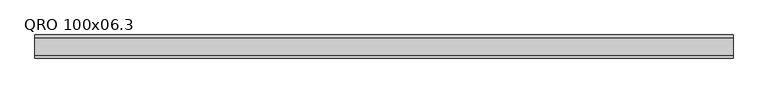
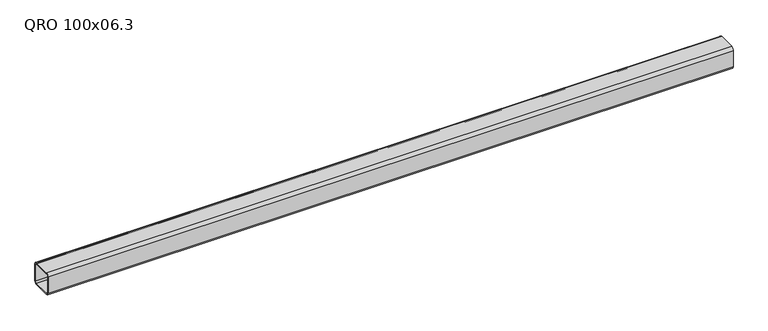
"""IFC4 building model written with IfcOpenShell, lengths in millimetres: beam geometry, QRO 100x06.3."""

from ifc_helpers import new_model, si_unit, point, frame, frame_2d, origin, place, context, project, spatial, polyline, circle_curve, trimmed, segment, composite_curve, outline, extrude, source, transform, mapped, element, save


def qro_100x06_3_3facface(model_context):
    return source(origin(), model_context, "Body", "SweptSolid", [
        extrude(outline(composite_curve([segment(polyline([(50.0, 38.0), (50.0, -38.0)]), True, "CONTINUOUS"), segment(trimmed(circle_curve(frame_2d((38.0, -38.0)), 12.0), [point((50.0, -38.0))], [point((38.0, -50.0))], False, "CARTESIAN"), True, "CONTINUOUS"), segment(polyline([(38.0, -50.0), (-38.0, -50.0)]), True, "CONTINUOUS"), segment(trimmed(circle_curve(frame_2d((-38.0, -38.0)), 12.0), [point((-38.0, -50.0))], [point((-50.0, -38.0))], False, "CARTESIAN"), True, "CONTINUOUS"), segment(polyline([(-50.0, -38.0), (-50.0, 38.0)]), True, "CONTINUOUS"), segment(trimmed(circle_curve(frame_2d((-38.0, 38.0)), 12.0), [point((-50.0, 38.0))], [point((-38.0, 50.0))], False, "CARTESIAN"), True, "CONTINUOUS"), segment(polyline([(-38.0, 50.0), (38.0, 50.0)]), True, "CONTINUOUS"), segment(trimmed(circle_curve(frame_2d((38.0, 38.0)), 12.0), [point((38.0, 50.0))], [point((50.0, 38.0))], False, "CARTESIAN"), True, "CONTINUOUS")], self_intersect=False), holes=[composite_curve([segment(trimmed(circle_curve(frame_2d((-38.0, 38.0)), 6.0), [point((-38.0, 44.0))], [point((-44.0, 38.0))], True, "CARTESIAN"), True, "CONTINUOUS"), segment(polyline([(-44.0, 38.0), (-44.0, -38.0)]), True, "CONTINUOUS"), segment(trimmed(circle_curve(frame_2d((-38.0, -38.0)), 6.0), [point((-44.0, -38.0))], [point((-38.0, -44.0))], True, "CARTESIAN"), True, "CONTINUOUS"), segment(polyline([(-38.0, -44.0), (38.0, -44.0)]), True, "CONTINUOUS"), segment(trimmed(circle_curve(frame_2d((38.0, -38.0)), 6.0), [point((38.0, -44.0))], [point((44.0, -38.0))], True, "CARTESIAN"), True, "CONTINUOUS"), segment(polyline([(44.0, -38.0), (44.0, 38.0)]), True, "CONTINUOUS"), segment(trimmed(circle_curve(frame_2d((38.0, 38.0)), 6.0), [point((44.0, 38.0))], [point((38.0, 44.0))], True, "CARTESIAN"), True, "CONTINUOUS"), segment(polyline([(38.0, 44.0), (-38.0, 44.0)]), True, "CONTINUOUS")], self_intersect=False)]), frame((-1398.642171, 0.0, 0.0), z_axis=(1.0, 0.0, 0.0), x_axis=(0.0, 1.0, 0.0)), (0.0, 0.0, 1.0), 3015.1482292),
    ])


if __name__ == "__main__":
    model = new_model("IFC4")
    model_context = context("Model", 3, world=origin())
    ifc_project = project(units=[si_unit("LENGTHUNIT", "METRE", prefix="MILLI")], contexts=[model_context])
    site = spatial("IfcSite", under=ifc_project)
    building = spatial("IfcBuilding", under=site)
    placement = place(None, origin())
    qro_100x06_3_shape = qro_100x06_3_3facface(model_context)
    element("IfcBeam", 1, ObjectType="QRO 100x06.3", at=placement, inside=building, context=model_context, shape_type="MappedRepresentation", body=[
        mapped(qro_100x06_3_shape, transform((0.0, 0.0, 0.0), x_axis=(1.0, 0.0, 0.0), y_axis=(0.0, 1.0, 0.0), z_axis=(0.0, 0.0, 1.0))),
    ])
    save(model, "model.ifc")
